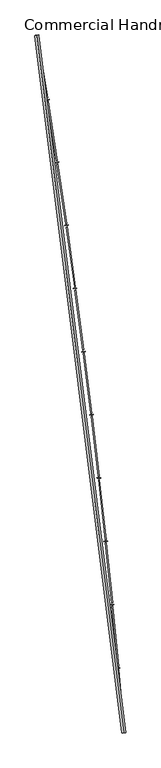
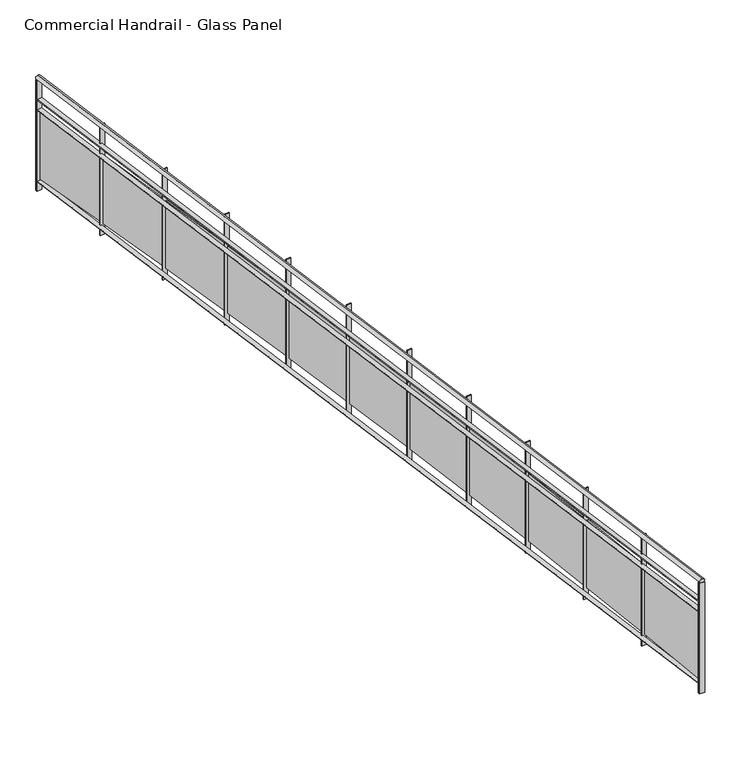
"""IFC4 building model written with IfcOpenShell, lengths in millimetres: railing geometry, Commercial Handrail - Glass Panel."""

from ifc_helpers import new_model, si_unit, point, frame, origin, place, context, project, spatial, polyline, circle_curve, ellipse_curve, trimmed, outline, extrude, source, transform, mapped, element, save
from ifc_brep_helpers import plane_surface, cylinder_surface, revolved_surface, advanced_brep


def commercial_handrail_glass_panel_c9b5af20(model_context):
    return source(origin(), model_context, "Body", "SolidModel", [
        advanced_brep(
        [(155415.1518736, -49813.1101198, 12882.5), (156507.3198577, -58575.9102119, 12882.5), (156507.3198577, -58575.9102119, 12917.5), (155415.1518736, -49813.1101198, 12917.5)],
        [
            (0, 1, circle_curve(frame((49774.785812, -67429.2570352, 12882.5), z_axis=(0.0, 0.0, -1.0), x_axis=(0.9965773914870409, 0.08266500333808188, 0.0)), 107099.0923108)),
            (1, 2, ellipse_curve(frame((156507.3198577, -58575.9102119, 12900.0), z_axis=(-0.08266500333808835, 0.9965773914870406, 0.0), x_axis=(0.9965773914870404, 0.08266500333808834, 0.0)), 25.0, 17.5)),
            (2, 3, circle_curve(frame((49774.785812, -67429.2570352, 12917.5), z_axis=(0.0, 0.0, 1.0), x_axis=(0.9965773914870409, 0.08266500333808188, 0.0)), 107099.0923108)),
            (3, 0, ellipse_curve(frame((155415.1518736, -49813.1101198, 12900.0), z_axis=(0.16448455850891983, -0.9863796581500077, 0.0), x_axis=(0.9863796581500075, 0.1644845585089198, 0.0)), 25.0, 17.5)),
            (2, 1, ellipse_curve(frame((156507.3198577, -58575.9102119, 12900.0), z_axis=(-0.08266500333808835, 0.9965773914870406, 0.0), x_axis=(0.9965773914870404, 0.08266500333808834, 0.0)), 25.0, 17.5)),
            (0, 3, ellipse_curve(frame((155415.1518736, -49813.1101198, 12900.0), z_axis=(0.16448455850891983, -0.9863796581500077, 0.0), x_axis=(0.9863796581500075, 0.1644845585089198, 0.0)), 25.0, 17.5)),
        ],
        [
            revolved_surface(trimmed(ellipse_curve(frame((156507.3198577, -58575.9102119, 12900.0), z_axis=(0.08266500333808188, -0.9965773914870409, 0.0), x_axis=(0.0, 0.0, -1.0)), 17.5, 25.0), [point((156507.3198577, -58575.9102119, 12917.5))], [point((156507.3198577, -58575.9102119, 12882.5))], True, "CARTESIAN"), (49774.785812, -67429.2570352, 12900.0), (0.0, 0.0, 1.0)),
            revolved_surface(trimmed(ellipse_curve(frame((156507.3198577, -58575.9102119, 12900.0), z_axis=(0.08266500333808188, -0.9965773914870409, 0.0), x_axis=(0.0, 0.0, -1.0)), 17.5, 25.0), [point((156507.3198577, -58575.9102119, 12882.5))], [point((156507.3198577, -58575.9102119, 12917.5))], True, "CARTESIAN"), (49774.785812, -67429.2570352, 12900.0), (0.0, 0.0, 1.0)),
            plane_surface(frame((156507.3198577, -58575.9102119, 12900.0), z_axis=(0.08266500333808188, -0.9965773914870409, 0.0), x_axis=(0.9965773914870409, 0.08266500333808188, 0.0))),
            plane_surface(frame((155415.1518736, -49813.1101198, 12900.0), z_axis=(-0.16448455850891983, 0.9863796581500076, 0.0), x_axis=(0.9863796581500076, 0.16448455850891983, 0.0))),
        ],
        [
            (0, [[1, 2, 3, 4]]),
            (1, [[-3, 5, -1, 6]]),
            (2, [[-2, -5]]),
            (3, [[-6, -4]]),
        ],
    ),
        advanced_brep(
        [(155392.9583313, -49816.8110224, 12700.0), (156484.8968663, -58577.7701744, 12700.0), (156529.742849, -58574.0502493, 12700.0), (155437.3454159, -49809.4092172, 12700.0), (155392.9583313, -49816.8110224, 12694.0), (156484.8968663, -58577.7701744, 12694.0), (155437.3454159, -49809.4092172, 12694.0), (156529.742849, -58574.0502493, 12694.0)],
        [
            (0, 1, circle_curve(frame((49774.785812, -67429.2570352, 12700.0), z_axis=(0.0, 0.0, -1.0), x_axis=(0.9965773914870409, 0.08266500333808188, 0.0)), 107076.5923108)),
            (1, 2),
            (2, 3, circle_curve(frame((49774.785812, -67429.2570352, 12700.0), z_axis=(0.0, 0.0, 1.0), x_axis=(0.9965773914870409, 0.08266500333808188, 0.0)), 107121.5923108)),
            (3, 0),
            (4, 5, circle_curve(frame((49774.785812, -67429.2570352, 12694.0), z_axis=(0.0, 0.0, -1.0), x_axis=(0.9965773914870409, 0.08266500333808188, 0.0)), 107076.5923108)),
            (5, 1),
            (0, 4),
            (6, 7, circle_curve(frame((49774.785812, -67429.2570352, 12694.0), z_axis=(0.0, 0.0, -1.0), x_axis=(0.9965773914870409, 0.08266500333808188, 0.0)), 107121.5923108)),
            (7, 5),
            (4, 6),
            (2, 7),
            (6, 3),
        ],
        [
            plane_surface(frame((49774.785812, -67429.2570352, 12700.0), z_axis=(0.0, 0.0, 1.0), x_axis=(0.9965773914870409, 0.08266500333808188, 0.0))),
            revolved_surface(polyline([(156484.89686641842, -58577.77017439729, 12700.0), (156484.89686641842, -58577.77017439729, 12694.0)]), (49774.785812, -67429.2570352, 12700.0), (0.0, 0.0, 1.0)),
            plane_surface(frame((49774.785812, -67429.2570352, 12694.0), z_axis=(0.0, 0.0, -1.0), x_axis=(0.9965773914870409, 0.08266500333808188, 0.0))),
            cylinder_surface(frame((49774.785812, -67429.2570352, 12700.0), z_axis=(0.0, 0.0, 1.0), x_axis=(0.9965773914870409, 0.08266500333808188, 0.0)), 107121.5923108),
            plane_surface(frame((156507.3198577, -58575.9102119, 12700.0), z_axis=(0.08266500333808188, -0.9965773914870409, 0.0), x_axis=(0.9965773914870409, 0.08266500333808188, 0.0))),
            plane_surface(frame((155415.1518736, -49813.1101198, 12700.0), z_axis=(-0.16448455850891983, 0.9863796581500076, 0.0), x_axis=(0.9863796581500076, 0.16448455850891983, 0.0))),
        ],
        [
            (0, [[1, 2, 3, 4]]),
            (1, [[5, 6, -1, 7]]),
            (2, [[8, 9, -5, 10]]),
            (3, [[-3, 11, -8, 12]]),
            (4, [[-2, -6, -9, -11]]),
            (5, [[-12, -10, -7, -4]]),
        ],
    ),
        advanced_brep(
        [(155392.9583313, -49816.8110224, 12600.0), (156484.8968663, -58577.7701744, 12600.0), (156529.742849, -58574.0502493, 12600.0), (155437.3454159, -49809.4092172, 12600.0), (155392.9583313, -49816.8110224, 12594.0), (156484.8968663, -58577.7701744, 12594.0), (155437.3454159, -49809.4092172, 12594.0), (156529.742849, -58574.0502493, 12594.0)],
        [
            (0, 1, circle_curve(frame((49774.785812, -67429.2570352, 12600.0), z_axis=(0.0, 0.0, -1.0), x_axis=(0.9965773914870409, 0.08266500333808188, 0.0)), 107076.5923108)),
            (1, 2),
            (2, 3, circle_curve(frame((49774.785812, -67429.2570352, 12600.0), z_axis=(0.0, 0.0, 1.0), x_axis=(0.9965773914870409, 0.08266500333808188, 0.0)), 107121.5923108)),
            (3, 0),
            (4, 5, circle_curve(frame((49774.785812, -67429.2570352, 12594.0), z_axis=(0.0, 0.0, -1.0), x_axis=(0.9965773914870409, 0.08266500333808188, 0.0)), 107076.5923108)),
            (5, 1),
            (0, 4),
            (6, 7, circle_curve(frame((49774.785812, -67429.2570352, 12594.0), z_axis=(0.0, 0.0, -1.0), x_axis=(0.9965773914870409, 0.08266500333808188, 0.0)), 107121.5923108)),
            (7, 5),
            (4, 6),
            (2, 7),
            (6, 3),
        ],
        [
            plane_surface(frame((49774.785812, -67429.2570352, 12600.0), z_axis=(0.0, 0.0, 1.0), x_axis=(0.9965773914870409, 0.08266500333808188, 0.0))),
            revolved_surface(polyline([(156484.89686641842, -58577.77017439729, 12600.0), (156484.89686641842, -58577.77017439729, 12594.0)]), (49774.785812, -67429.2570352, 12600.0), (0.0, 0.0, 1.0)),
            plane_surface(frame((49774.785812, -67429.2570352, 12594.0), z_axis=(0.0, 0.0, -1.0), x_axis=(0.9965773914870409, 0.08266500333808188, 0.0))),
            cylinder_surface(frame((49774.785812, -67429.2570352, 12600.0), z_axis=(0.0, 0.0, 1.0), x_axis=(0.9965773914870409, 0.08266500333808188, 0.0)), 107121.5923108),
            plane_surface(frame((156507.3198577, -58575.9102119, 12600.0), z_axis=(0.08266500333808188, -0.9965773914870409, 0.0), x_axis=(0.9965773914870409, 0.08266500333808188, 0.0))),
            plane_surface(frame((155415.1518736, -49813.1101198, 12600.0), z_axis=(-0.16448455850891983, 0.9863796581500076, 0.0), x_axis=(0.9863796581500076, 0.16448455850891983, 0.0))),
        ],
        [
            (0, [[1, 2, 3, 4]]),
            (1, [[5, 6, -1, 7]]),
            (2, [[8, 9, -5, 10]]),
            (3, [[-3, 11, -8, 12]]),
            (4, [[-2, -6, -9, -11]]),
            (5, [[-12, -10, -7, -4]]),
        ],
    ),
        advanced_brep(
        [(155392.9583313, -49816.8110224, 11900.0), (156484.8968663, -58577.7701744, 11900.0), (156529.742849, -58574.0502493, 11900.0), (155437.3454159, -49809.4092172, 11900.0), (155392.9583313, -49816.8110224, 11894.0), (156484.8968663, -58577.7701744, 11894.0), (155437.3454159, -49809.4092172, 11894.0), (156529.742849, -58574.0502493, 11894.0)],
        [
            (0, 1, circle_curve(frame((49774.785812, -67429.2570352, 11900.0), z_axis=(0.0, 0.0, -1.0), x_axis=(0.9965773914870409, 0.08266500333808188, 0.0)), 107076.5923108)),
            (1, 2),
            (2, 3, circle_curve(frame((49774.785812, -67429.2570352, 11900.0), z_axis=(0.0, 0.0, 1.0), x_axis=(0.9965773914870409, 0.08266500333808188, 0.0)), 107121.5923108)),
            (3, 0),
            (4, 5, circle_curve(frame((49774.785812, -67429.2570352, 11894.0), z_axis=(0.0, 0.0, -1.0), x_axis=(0.9965773914870409, 0.08266500333808188, 0.0)), 107076.5923108)),
            (5, 1),
            (0, 4),
            (6, 7, circle_curve(frame((49774.785812, -67429.2570352, 11894.0), z_axis=(0.0, 0.0, -1.0), x_axis=(0.9965773914870409, 0.08266500333808188, 0.0)), 107121.5923108)),
            (7, 5),
            (4, 6),
            (2, 7),
            (6, 3),
        ],
        [
            plane_surface(frame((49774.785812, -67429.2570352, 11900.0), z_axis=(0.0, 0.0, 1.0), x_axis=(0.9965773914870409, 0.08266500333808188, 0.0))),
            revolved_surface(polyline([(156484.89686641842, -58577.77017439729, 11900.0), (156484.89686641842, -58577.77017439729, 11894.0)]), (49774.785812, -67429.2570352, 11900.0), (0.0, 0.0, 1.0)),
            plane_surface(frame((49774.785812, -67429.2570352, 11894.0), z_axis=(0.0, 0.0, -1.0), x_axis=(0.9965773914870409, 0.08266500333808188, 0.0))),
            cylinder_surface(frame((49774.785812, -67429.2570352, 11900.0), z_axis=(0.0, 0.0, 1.0), x_axis=(0.9965773914870409, 0.08266500333808188, 0.0)), 107121.5923108),
            plane_surface(frame((156507.3198577, -58575.9102119, 11900.0), z_axis=(0.08266500333808188, -0.9965773914870409, 0.0), x_axis=(0.9965773914870409, 0.08266500333808188, 0.0))),
            plane_surface(frame((155415.1518736, -49813.1101198, 11900.0), z_axis=(-0.16448455850891983, 0.9863796581500076, 0.0), x_axis=(0.9863796581500076, 0.16448455850891983, 0.0))),
        ],
        [
            (0, [[1, 2, 3, 4]]),
            (1, [[5, 6, -1, 7]]),
            (2, [[8, 9, -5, 10]]),
            (3, [[-3, 11, -8, 12]]),
            (4, [[-2, -6, -9, -11]]),
            (5, [[-12, -10, -7, -4]]),
        ],
    ),
        extrude(outline(polyline([(155440.5602167, -49828.6983042), (155396.1719887, -49836.0932495), (155395.185996, -49830.1748191), (155439.574224, -49822.7798738), (155440.5602167, -49828.6983042)])), frame((0.0, 0.0, 11800.0), z_axis=(0.0, 0.0, 1.0), x_axis=(1.0, 0.0, 0.0)), (0.0, 0.0, 1.0), 1082.1192282),
        extrude(outline(polyline([(155537.9927324, -50600.148842), (155415.9010924, -49850.0197655), (155427.7452357, -49848.0920027), (155549.8368757, -50598.2210792), (155537.9927324, -50600.148842)])), frame((0.0, 0.0, 11920.0), z_axis=(0.0, 0.0, 1.0), x_axis=(1.0, 0.0, 0.0)), (0.0, 0.0, 1.0), 660.0),
        extrude(outline(polyline([(155569.0823153, -50618.4755081), (155524.640088, -50625.5386825), (155523.6983314, -50619.6130522), (155568.1405587, -50612.5498778), (155569.0823153, -50618.4755081)])), frame((0.0, 0.0, 11800.0), z_axis=(0.0, 0.0, 1.0), x_axis=(1.0, 0.0, 0.0)), (0.0, 0.0, 1.0), 1082.1192282),
        extrude(outline(polyline([(155660.7496486, -51390.6323103), (155544.2646152, -50639.6121795), (155556.1228277, -50637.7729421), (155672.6078612, -51388.793073), (155660.7496486, -51390.6323103)])), frame((0.0, 0.0, 11920.0), z_axis=(0.0, 0.0, 1.0), x_axis=(1.0, 0.0, 0.0)), (0.0, 0.0, 1.0), 660.0),
        extrude(outline(polyline([(155691.7014704, -51409.1906934), (155647.2077235, -51415.921703), (155646.3102556, -51409.9892034), (155690.8040025, -51403.2581938), (155691.7014704, -51409.1906934)])), frame((0.0, 0.0, 11800.0), z_axis=(0.0, 0.0, 1.0), x_axis=(1.0, 0.0, 0.0)), (0.0, 0.0, 1.0), 1082.1192282),
        extrude(outline(polyline([(155777.5985065, -52182.0106766), (155666.7265791, -51430.1413956), (155678.5981993, -51428.3907863), (155789.4701268, -52180.2600673), (155777.5985065, -52182.0106766)])), frame((0.0, 0.0, 11920.0), z_axis=(0.0, 0.0, 1.0), x_axis=(1.0, 0.0, 0.0)), (0.0, 0.0, 1.0), 660.0),
        extrude(outline(polyline([(155808.4108402, -52200.7997412), (155763.8680564, -52207.1982104), (155763.0149272, -52201.2591725), (155807.557711, -52194.8607033), (155808.4108402, -52200.7997412)])), frame((0.0, 0.0, 11800.0), z_axis=(0.0, 0.0, 1.0), x_axis=(1.0, 0.0, 0.0)), (0.0, 0.0, 1.0), 1082.1192282),
        extrude(outline(polyline([(155888.5327865, -52974.2397848), (155783.2801513, -52221.5633053), (155795.1645168, -52219.9014216), (155900.4171519, -52972.5779011), (155888.5327865, -52974.2397848)])), frame((0.0, 0.0, 11920.0), z_axis=(0.0, 0.0, 1.0), x_axis=(1.0, 0.0, 0.0)), (0.0, 0.0, 1.0), 660.0),
        extrude(outline(polyline([(155919.2039129, -52993.2584824), (155874.6145774, -52999.3240542), (155873.8058345, -52993.3788094), (155918.39517, -52987.3132377), (155919.2039129, -52993.2584824)])), frame((0.0, 0.0, 11800.0), z_axis=(0.0, 0.0, 1.0), x_axis=(1.0, 0.0, 0.0)), (0.0, 0.0, 1.0), 1082.1192282),
        extrude(outline(polyline([(155993.5462987, -53767.2754312), (155893.9188285, -53013.8337498), (155905.8152761, -53012.2606845), (156005.4427463, -53765.7023659), (155993.5462987, -53767.2754312)])), frame((0.0, 0.0, 11920.0), z_axis=(0.0, 0.0, 1.0), x_axis=(1.0, 0.0, 0.0)), (0.0, 0.0, 1.0), 660.0),
        extrude(outline(polyline([(156024.0745064, -53786.5227008), (155979.4411072, -53792.2550367), (155978.6767957, -53786.3039168), (156023.3101949, -53780.5715809), (156024.0745064, -53786.5227008)])), frame((0.0, 0.0, 11800.0), z_axis=(0.0, 0.0, 1.0), x_axis=(1.0, 0.0, 0.0)), (0.0, 0.0, 1.0), 1082.1192282),
        extrude(outline(polyline([(156092.6331838, -54561.0733673), (155998.6364375, -53806.9085235), (156010.5443034, -53805.4243644), (156104.5410497, -54559.5892082), (156092.6331838, -54561.0733673)])), frame((0.0, 0.0, 11920.0), z_axis=(0.0, 0.0, 1.0), x_axis=(1.0, 0.0, 0.0)), (0.0, 0.0, 1.0), 660.0),
        extrude(outline(polyline([(156123.0167695, -54580.548135), (156078.3417969, -54585.9469151), (156077.6219596, -54579.9902521), (156122.2969321, -54574.591472), (156123.0167695, -54580.548135)])), frame((0.0, 0.0, 11800.0), z_axis=(0.0, 0.0, 1.0), x_axis=(1.0, 0.0, 0.0)), (0.0, 0.0, 1.0), 1082.1192282),
        extrude(outline(polyline([(156185.787913, -55355.5893021), (156097.4271353, -54600.7433755), (156109.3457552, -54599.3482053), (156197.7065329, -55354.194132), (156185.787913, -55355.5893021)])), frame((0.0, 0.0, 11920.0), z_axis=(0.0, 0.0, 1.0), x_axis=(1.0, 0.0, 0.0)), (0.0, 0.0, 1.0), 660.0),
        extrude(outline(polyline([(156216.0251814, -55375.2904812), (156171.3111282, -55380.3554043), (156170.6358051, -55374.3935306), (156215.3498583, -55369.3286074), (156216.0251814, -55375.2904812)])), frame((0.0, 0.0, 11800.0), z_axis=(0.0, 0.0, 1.0), x_axis=(1.0, 0.0, 0.0)), (0.0, 0.0, 1.0), 1082.1192282),
        extrude(outline(polyline([(156273.0052888, -56150.7789044), (156190.2854098, -55395.2940127), (156202.2141186, -55393.9879094), (156284.9339976, -56149.4728011), (156273.0052888, -56150.7789044)])), frame((0.0, 0.0, 11920.0), z_axis=(0.0, 0.0, 1.0), x_axis=(1.0, 0.0, 0.0)), (0.0, 0.0, 1.0), 660.0),
        extrude(outline(polyline([(156303.0945527, -56170.7053956), (156258.3439138, -56175.4361792), (156257.7131426, -56169.4694274), (156302.4637816, -56164.7386437), (156303.0945527, -56170.7053956)])), frame((0.0, 0.0, 11800.0), z_axis=(0.0, 0.0, 1.0), x_axis=(1.0, 0.0, 0.0)), (0.0, 0.0, 1.0), 1082.1192282),
        extrude(outline(polyline([(156354.2804446, -56946.5978055), (156277.2060799, -56190.5161021), (156289.144212, -56189.2991384), (156366.2185768, -56945.3808418), (156354.2804446, -56946.5978055)])), frame((0.0, 0.0, 11920.0), z_axis=(0.0, 0.0, 1.0), x_axis=(1.0, 0.0, 0.0)), (0.0, 0.0, 1.0), 660.0),
        extrude(outline(polyline([(156384.2200253, -56966.748497), (156339.4352975, -56971.1448771), (156338.8491135, -56965.17358), (156383.6338412, -56960.7771999), (156384.2200253, -56966.748497)])), frame((0.0, 0.0, 11800.0), z_axis=(0.0, 0.0, 1.0), x_axis=(1.0, 0.0, 0.0)), (0.0, 0.0, 1.0), 1082.1192282),
        extrude(outline(polyline([(156429.6088457, -57743.0016015), (156358.1842956, -56986.3652729), (156370.131185, -56985.2375169), (156441.5557351, -57741.8738454), (156429.6088457, -57743.0016015)])), frame((0.0, 0.0, 11920.0), z_axis=(0.0, 0.0, 1.0), x_axis=(1.0, 0.0, 0.0)), (0.0, 0.0, 1.0), 660.0),
        extrude(outline(polyline([(156459.3970725, -57763.3753689), (156414.5807547, -57767.4371002), (156414.0391905, -57761.4615912), (156458.8555083, -57757.3998599), (156459.3970725, -57763.3753689)])), frame((0.0, 0.0, 11800.0), z_axis=(0.0, 0.0, 1.0), x_axis=(1.0, 0.0, 0.0)), (0.0, 0.0, 1.0), 1082.1192282),
        extrude(outline(polyline([(156498.9862889, -58539.9458559), (156433.2155387, -57782.7971199), (156445.1705188, -57781.7586343), (156510.9412689, -58538.9073703), (156498.9862889, -58539.9458559)])), frame((0.0, 0.0, 11920.0), z_axis=(0.0, 0.0, 1.0), x_axis=(1.0, 0.0, 0.0)), (0.0, 0.0, 1.0), 660.0),
        extrude(outline(polyline([(156528.6214998, -58560.5415625), (156483.7760926, -58564.2684183), (156483.2791785, -58558.2890307), (156528.1245856, -58554.5621749), (156528.6214998, -58560.5415625)])), frame((0.0, 0.0, 11800.0), z_axis=(0.0, 0.0, 1.0), x_axis=(1.0, 0.0, 0.0)), (0.0, 0.0, 1.0), 1082.1192282),
        extrude(outline(polyline([(155437.8388696, -49812.3683562), (155393.451785, -49819.7701613), (155392.4648776, -49813.8518834), (155436.8519623, -49806.4500783), (155437.8388696, -49812.3683562)])), frame((0.0, 0.0, 11800.0), z_axis=(0.0, 0.0, 1.0), x_axis=(1.0, 0.0, 0.0)), (0.0, 0.0, 1.0), 1082.1192282),
        extrude(outline(polyline([(156529.990844, -58577.0399815), (156485.1448614, -58580.7599066), (156484.6488713, -58574.7804423), (156529.494854, -58571.0605171), (156529.990844, -58577.0399815)])), frame((0.0, 0.0, 11800.0), z_axis=(0.0, 0.0, 1.0), x_axis=(1.0, 0.0, 0.0)), (0.0, 0.0, 1.0), 1082.1192282),
    ])


if __name__ == "__main__":
    model = new_model("IFC4")
    model_context = context("Model", 3, world=origin())
    ifc_project = project(units=[si_unit("LENGTHUNIT", "METRE", prefix="MILLI")], contexts=[model_context])
    site = spatial("IfcSite", under=ifc_project)
    building = spatial("IfcBuilding", under=site)
    placement = place(None, origin())
    commercial_handrail_glass_panel_shape = commercial_handrail_glass_panel_c9b5af20(model_context)
    element("IfcRailing", 1, ObjectType="Commercial Handrail - Glass Panel", at=placement, inside=building, context=model_context, shape_type="MappedRepresentation", body=[
        mapped(commercial_handrail_glass_panel_shape, transform((0.0, 0.0, 0.0), x_axis=(1.0, 0.0, 0.0), y_axis=(0.0, 1.0, 0.0), z_axis=(0.0, 0.0, 1.0))),
    ])
    save(model, "model.ifc")
